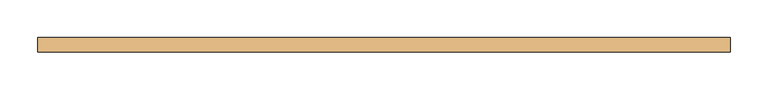
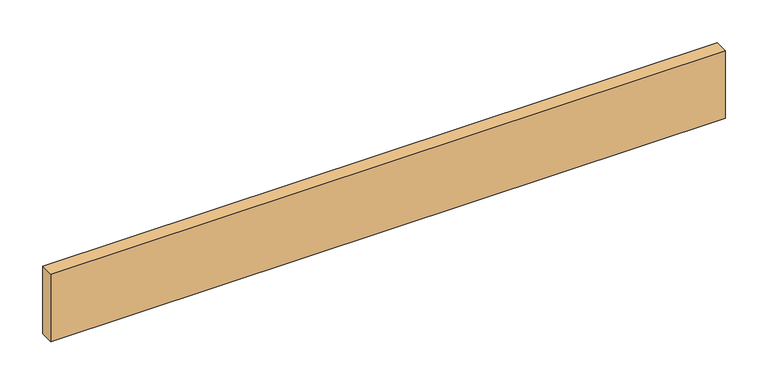
"""IFC4 building model written with IfcOpenShell, lengths in millimetres: door geometry."""

from ifc_helpers import new_model, si_unit, origin, origin_with_axes, place, context, project, spatial, polyline, outline, extrude, source, transform, mapped, element, save


def door_c2cae6d3(model_context):
    return source(origin(), model_context, "Body", "SweptSolid", [
        extrude(outline(polyline([(455.3204, 0.0), (455.3204, -19.05), (-455.3204, -19.05), (-455.3204, 0.0), (455.3204, 0.0)])), origin_with_axes(), (0.0, 0.0, 1.0), 96.52),
    ])


if __name__ == "__main__":
    model = new_model("IFC4")
    model_context = context("Model", 3, world=origin())
    ifc_project = project(units=[si_unit("LENGTHUNIT", "METRE", prefix="MILLI")], contexts=[model_context])
    site = spatial("IfcSite", under=ifc_project)
    building = spatial("IfcBuilding", under=site)
    placement = place(None, origin())
    door_shape = door_c2cae6d3(model_context)
    element("IfcDoor", 1, at=placement, inside=building, context=model_context, shape_type="MappedRepresentation", body=[
        mapped(door_shape, transform((0.0, 0.0, 0.0), x_axis=(1.0, 0.0, 0.0), y_axis=(0.0, 1.0, 0.0), z_axis=(0.0, 0.0, 1.0))),
    ])
    save(model, "model.ifc")
